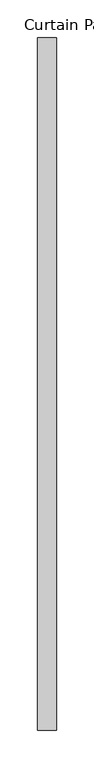
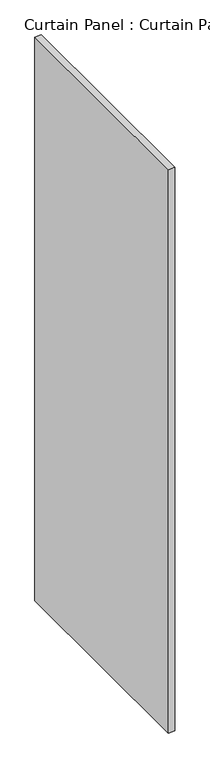
"""IFC4 building model written with IfcOpenShell, lengths in millimetres: plate geometry, Curtain Panel : Curtain Panel."""

from ifc_helpers import new_model, si_unit, frame, origin, place, context, project, spatial, polyline, outline, extrude, source, transform, mapped, element, save


def curtain_panel_curtain_panel_4024bdb4(model_context):
    return source(origin(), model_context, "Body", "SweptSolid", [
        extrude(outline(polyline([(-35292.8444373, -1025.4103138), (-35292.8444373, -1945.7135702), (-35318.2444373, -1945.7135702), (-35318.2444373, -1025.4103138), (-35292.8444373, -1025.4103138)])), frame((0.0, 0.0, -622.8319765), z_axis=(0.0, 0.0, 1.0), x_axis=(1.0, 0.0, 0.0)), (0.0, 0.0, 1.0), 2371.8696285),
    ])


if __name__ == "__main__":
    model = new_model("IFC4")
    model_context = context("Model", 3, world=origin())
    ifc_project = project(units=[si_unit("LENGTHUNIT", "METRE", prefix="MILLI")], contexts=[model_context])
    site = spatial("IfcSite", under=ifc_project)
    building = spatial("IfcBuilding", under=site)
    placement = place(None, origin())
    curtain_panel_curtain_panel_shape = curtain_panel_curtain_panel_4024bdb4(model_context)
    element("IfcPlate", 1, ObjectType="Curtain Panel : Curtain Panel", at=placement, inside=building, context=model_context, shape_type="MappedRepresentation", body=[
        mapped(curtain_panel_curtain_panel_shape, transform((0.0, 0.0, 0.0), x_axis=(1.0, 0.0, 0.0), y_axis=(0.0, 1.0, 0.0), z_axis=(0.0, 0.0, 1.0))),
    ])
    save(model, "model.ifc")
